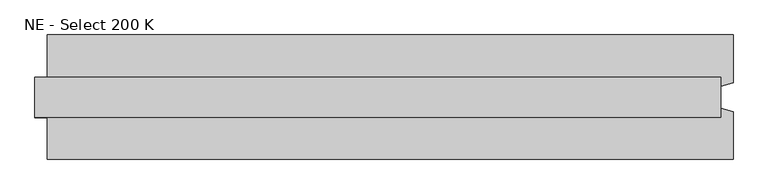
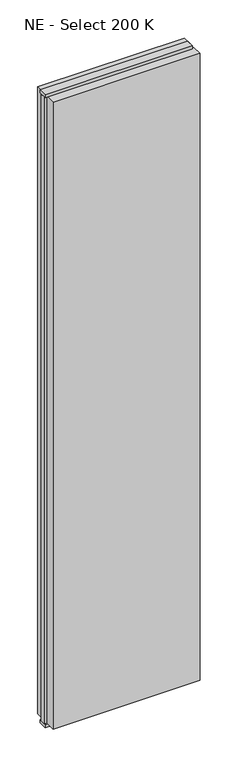
"""IFC4 building model written with IfcOpenShell, lengths in millimetres: plate geometry, NE - Select 200 K."""

from ifc_helpers import new_model, si_unit, frame, origin, origin_with_axes, place, context, project, spatial, polyline, outline, extrude, source, transform, mapped, element, save


def ne_select_200_k_c858e6de(model_context):
    return source(origin(), model_context, "Body", "SweptSolid", [
        extrude(outline(polyline([(570.5, 100.0), (570.5, 22.9993165), (550.5, 17.6401049), (550.5, -17.6401049), (570.5, -22.9993165), (570.5, -100.0), (-530.5, -100.0), (-530.5, -22.9993165), (-550.5, -17.6401049), (-550.5, 17.6401049), (-530.5, 22.9993165), (-530.5, 100.0), (570.5, 100.0)])), frame((0.0, 0.0, 25.0), z_axis=(0.0, 0.0, 1.0), x_axis=(1.0, 0.0, 0.0)), (0.0, 0.0, 1.0), 4950.0),
        extrude(outline(polyline([(550.5, 32.0), (550.5, -32.0), (-550.5, -32.0), (-550.5, 32.0), (550.5, 32.0)])), origin_with_axes(), (0.0, 0.0, 1.0), 25.0),
        extrude(outline(polyline([(550.5, 32.0), (550.5, -32.0), (-550.5, -32.0), (-550.5, 32.0), (550.5, 32.0)])), frame((0.0, 0.0, 4975.0), z_axis=(0.0, 0.0, 1.0), x_axis=(1.0, 0.0, 0.0)), (0.0, 0.0, 1.0), 25.0),
    ])


if __name__ == "__main__":
    model = new_model("IFC4")
    model_context = context("Model", 3, world=origin())
    ifc_project = project(units=[si_unit("LENGTHUNIT", "METRE", prefix="MILLI")], contexts=[model_context])
    site = spatial("IfcSite", under=ifc_project)
    building = spatial("IfcBuilding", under=site)
    placement = place(None, origin())
    ne_select_200_k_shape = ne_select_200_k_c858e6de(model_context)
    element("IfcPlate", 1, ObjectType="NE - Select 200 K", at=placement, inside=building, context=model_context, shape_type="MappedRepresentation", body=[
        mapped(ne_select_200_k_shape, transform((0.0, 0.0, 0.0), x_axis=(1.0, 0.0, 0.0), y_axis=(0.0, 1.0, 0.0), z_axis=(0.0, 0.0, 1.0))),
    ])
    save(model, "model.ifc")
